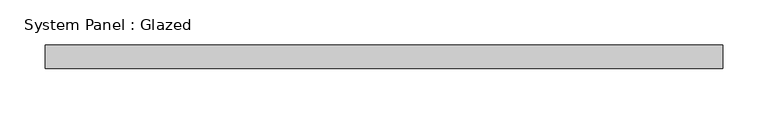
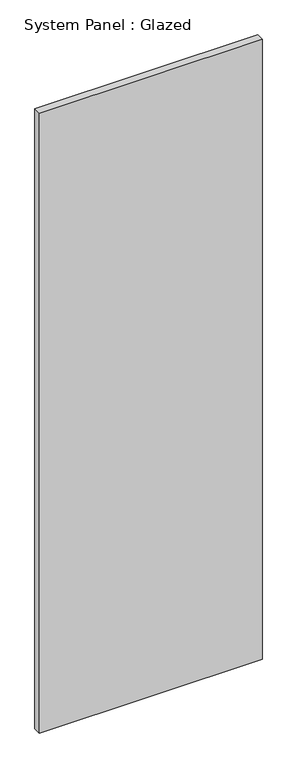
"""IFC4 building model written with IfcOpenShell, lengths in millimetres: plate geometry, System Panel : Glazed."""

import ifcopenshell
import ifcopenshell.guid

model = None  # the IFC model being written
_history = None  # IfcOwnerHistory: only IFC2X3 demands one
_inside = {}  # id of a spatial element -> (the spatial element, [elements in it])
_under = {}  # id of a project, library or spatial element -> (it, [spatial elements below it])
_declared = {}  # id of a project -> (the project, [libraries it declares])
_typed = {}  # id of a type object -> (the type object, [elements of that type])
_made_of = {}  # id of a material, layer set ... -> (it, [elements and type objects made of it])


def new_model(schema):
    """Start an empty IFC model of exactly this schema.

    Asked for "IFC4X3", IfcOpenShell would pick the latest addendum, in which some entities
    have other attributes; the version numbers below select the first issue.
    IFC2X3 requires an IfcOwnerHistory on every rooted entity: one is made here for all.
    """
    global model, _history
    if schema == "IFC4X3":
        model = ifcopenshell.file(schema_version=(4, 3, 0, 0))
    else:
        model = ifcopenshell.file(schema=schema)
    _inside.clear()
    _under.clear()
    _declared.clear()
    _typed.clear()
    _made_of.clear()
    _history = None
    if model.schema == "IFC2X3":
        org = make("IfcOrganization", Name="unknown")
        user = make(
            "IfcPersonAndOrganization",
            ThePerson=make("IfcPerson", FamilyName="unknown"),
            TheOrganization=org,
        )
        app = make(
            "IfcApplication",
            ApplicationDeveloper=org,
            Version="unknown",
            ApplicationFullName="unknown",
            ApplicationIdentifier="unknown",
        )
        _history = make(
            "IfcOwnerHistory",
            OwningUser=user,
            OwningApplication=app,
            ChangeAction="ADDED",
            CreationDate=0,
        )
    return model


def make(cls, **values):
    """One entity of the class cls with the attributes given. An attribute that is None is left unset."""
    return model.create_entity(
        cls, **{name: value for name, value in values.items() if value is not None}
    )


def rooted(cls, **values):
    """An entity with a GlobalId (a new one), such as an element, a storey or a relation."""
    return make(cls, GlobalId=ifcopenshell.guid.new(), OwnerHistory=_history, **values)


def si_unit(unit_type, name, prefix=None):
    """IfcSIUnit, for example si_unit("LENGTHUNIT", "METRE", prefix="MILLI")."""
    return make("IfcSIUnit", UnitType=unit_type, Prefix=prefix, Name=name)


def assignment(units):
    """IfcUnitAssignment: the units of a project."""
    return None if units is None else make("IfcUnitAssignment", Units=units)


def point(xyz):
    """IfcCartesianPoint."""
    return None if xyz is None else make("IfcCartesianPoint", Coordinates=xyz)


def direction(xyz):
    """IfcDirection."""
    return None if xyz is None else make("IfcDirection", DirectionRatios=xyz)


def frame(location, z_axis=None, x_axis=None):
    """IfcAxis2Placement3D, a coordinate frame: its origin and axes. An axis left out is left unset."""
    return make(
        "IfcAxis2Placement3D",
        Location=point(location),
        Axis=direction(z_axis),
        RefDirection=direction(x_axis),
    )


def origin():
    """The frame at (0, 0, 0) with its axes left unset."""
    return frame((0.0, 0.0, 0.0))


def origin_with_axes():
    """The frame at (0, 0, 0) with the z axis (0, 0, 1) and the x axis (1, 0, 0) written out."""
    return frame((0.0, 0.0, 0.0), z_axis=(0.0, 0.0, 1.0), x_axis=(1.0, 0.0, 0.0))


def place(relative_to, where):
    """IfcLocalPlacement: puts the frame where relative to a parent placement (None: the world)."""
    return make(
        "IfcLocalPlacement", PlacementRelTo=relative_to, RelativePlacement=where
    )


def context(
    kind, dimensions, precision=None, world=None, true_north=None, identifier=None
):
    """IfcGeometricRepresentationContext, for example the 3D "Model" context."""
    return make(
        "IfcGeometricRepresentationContext",
        ContextIdentifier=identifier,
        ContextType=kind,
        CoordinateSpaceDimension=dimensions,
        Precision=precision,
        WorldCoordinateSystem=world,
        TrueNorth=true_north,
    )


def project(units=None, contexts=None):
    """IfcProject with its units and contexts."""
    return rooted(
        "IfcProject",
        Name="project",
        RepresentationContexts=contexts,
        UnitsInContext=assignment(units),
    )


def spatial(cls, under=None, at=None, **own):
    """A site, building, storey or space (cls), placed at a placement, below another one or the project."""
    s = rooted(cls, ObjectPlacement=at, **own)
    if under is not None:
        _under.setdefault(under.id(), (under, []))[1].append(s)
    return s


def polyline(points):
    """IfcPolyline through the points."""
    return make("IfcPolyline", Points=[point(p) for p in points])


def outline(outer, holes=None, kind="AREA"):
    """IfcArbitraryClosedProfileDef: a profile drawn as a closed curve; with holes, ...WithVoids."""
    if holes is None:
        return make("IfcArbitraryClosedProfileDef", ProfileType=kind, OuterCurve=outer)
    return make(
        "IfcArbitraryProfileDefWithVoids",
        ProfileType=kind,
        OuterCurve=outer,
        InnerCurves=holes,
    )


def extrude(swept, where, along, depth):
    """IfcExtrudedAreaSolid: the profile swept, set in the frame where, extruded along a direction by depth."""
    return make(
        "IfcExtrudedAreaSolid",
        SweptArea=swept,
        Position=where,
        ExtrudedDirection=direction(along),
        Depth=depth,
    )


def shape(context_of_items, identifier, shape_type, items):
    """IfcShapeRepresentation: the items that make up one representation, for example the "Body"."""
    return make(
        "IfcShapeRepresentation",
        ContextOfItems=context_of_items,
        RepresentationIdentifier=identifier,
        RepresentationType=shape_type,
        Items=items,
    )


def source(mapping_origin, context_of_items, identifier, shape_type, items):
    """IfcRepresentationMap: a shape defined once, which mapped items show again and again."""
    return make(
        "IfcRepresentationMap",
        MappingOrigin=mapping_origin,
        MappedRepresentation=shape(context_of_items, identifier, shape_type, items),
    )


def transform(
    local_origin,
    x_axis=None,
    y_axis=None,
    z_axis=None,
    scale=None,
    scale2=None,
    scale3=None,
    uniform=True,
):
    """IfcCartesianTransformationOperator3D, or its non-uniform kind. x_axis, y_axis, z_axis: its Axis1, 2, 3."""
    if uniform:
        return make(
            "IfcCartesianTransformationOperator3D",
            Axis1=direction(x_axis),
            Axis2=direction(y_axis),
            LocalOrigin=point(local_origin),
            Scale=scale,
            Axis3=direction(z_axis),
        )
    return make(
        "IfcCartesianTransformationOperator3DnonUniform",
        Axis1=direction(x_axis),
        Axis2=direction(y_axis),
        LocalOrigin=point(local_origin),
        Scale=scale,
        Axis3=direction(z_axis),
        Scale2=scale2,
        Scale3=scale3,
    )


def mapped(mapping_source, mapping_target):
    """IfcMappedItem: shows the shape of a source again, moved by a transform."""
    return make(
        "IfcMappedItem", MappingSource=mapping_source, MappingTarget=mapping_target
    )


def made_of(thing, what):
    """Note that an element or type object is made of a material, layer set ...; save() writes the relation."""
    if what is not None:
        _made_of.setdefault(what.id(), (what, []))[1].append(thing)
    return thing


def element(
    cls,
    number,
    at=None,
    inside=None,
    cuts=None,
    type_object=None,
    material=None,
    context=None,
    identifier="Body",
    shape_type=None,
    held_by="IfcProductDefinitionShape",
    body=None,
    shapes=None,
    **own,
):
    """One element of the class cls, such as IfcWall. Its Tag is "e" and its number.

    at: its placement. inside: the storey or other place that contains it. cuts: it is an
    opening in that element (IfcRelVoidsElement). A single representation is given by context,
    identifier, shape_type and body (its items); several are given by shapes. held_by: the class
    of the entity that holds the representations. save() writes the other relations.
    """
    e = rooted(cls, Tag="e%d" % number, ObjectPlacement=at, **own)
    if body is not None:
        shapes = [shape(context, identifier, shape_type, body)]
    if shapes is not None:
        e.Representation = make(held_by, Representations=shapes)
    if inside is not None:
        _inside.setdefault(inside.id(), (inside, []))[1].append(e)
    if cuts is not None:
        rooted(
            "IfcRelVoidsElement", RelatingBuildingElement=cuts, RelatedOpeningElement=e
        )
    if type_object is not None:
        _typed.setdefault(type_object.id(), (type_object, []))[1].append(e)
    return made_of(e, material)


def aggregate(whole, parts):
    """IfcRelAggregates: a whole, such as a stair, and the parts it consists of."""
    return rooted("IfcRelAggregates", RelatingObject=whole, RelatedObjects=parts)


def save(model, path):
    """Write the relations noted so far, then the file.

    IfcRelAggregates (storeys below a building ...), IfcRelContainedInSpatialStructure (elements
    in a storey), IfcRelDefinesByType, IfcRelAssociatesMaterial and IfcRelDeclares: one each for
    every whole, place, type object, material and project.
    """
    for whole, parts in _under.values():
        aggregate(whole, parts)
    for where, things in _inside.values():
        rooted(
            "IfcRelContainedInSpatialStructure",
            RelatedElements=things,
            RelatingStructure=where,
        )
    for kind, things in _typed.values():
        rooted("IfcRelDefinesByType", RelatedObjects=things, RelatingType=kind)
    for what, things in _made_of.values():
        rooted("IfcRelAssociatesMaterial", RelatedObjects=things, RelatingMaterial=what)
    for by, libraries in _declared.values():
        rooted("IfcRelDeclares", RelatingContext=by, RelatedDefinitions=libraries)
    model.write(path)


def system_panel_glazed_fe381b89(model_context):
    return source(origin(), model_context, "Body", "SweptSolid", [
        extrude(outline(polyline([(372.26875, 19.05), (-372.26875, 19.05), (-372.26875, 44.45), (372.26875, 44.45), (372.26875, 19.05)])), origin_with_axes(), (0.0, 0.0, 1.0), 2190.75),
    ])


if __name__ == "__main__":
    model = new_model("IFC4")
    model_context = context("Model", 3, world=origin())
    ifc_project = project(units=[si_unit("LENGTHUNIT", "METRE", prefix="MILLI")], contexts=[model_context])
    site = spatial("IfcSite", under=ifc_project)
    building = spatial("IfcBuilding", under=site)
    placement = place(None, origin())
    system_panel_glazed_shape = system_panel_glazed_fe381b89(model_context)
    element("IfcPlate", 1, ObjectType="System Panel : Glazed", at=placement, inside=building, context=model_context, shape_type="MappedRepresentation", body=[
        mapped(system_panel_glazed_shape, transform((0.0, 0.0, 0.0), x_axis=(1.0, 0.0, 0.0), y_axis=(0.0, 1.0, 0.0), z_axis=(0.0, 0.0, 1.0))),
    ])
    save(model, "model.ifc")
